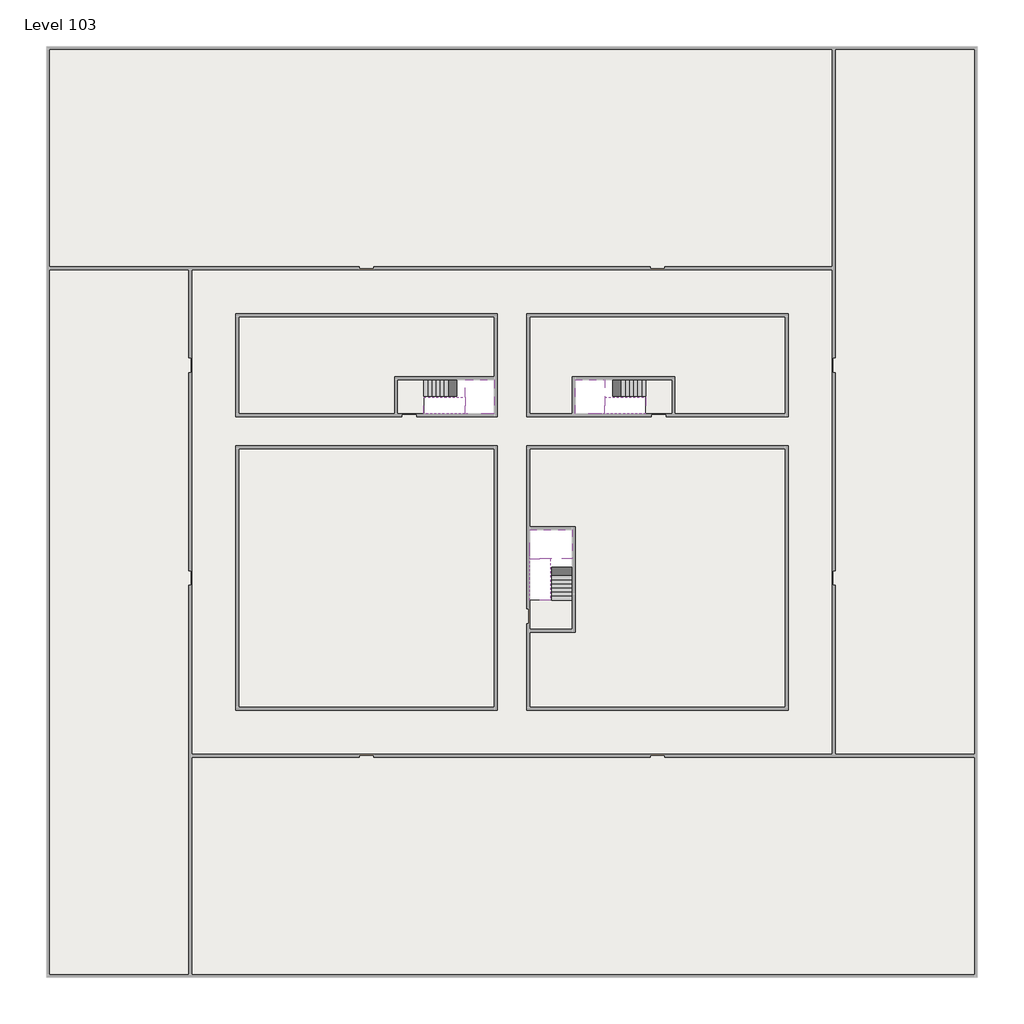
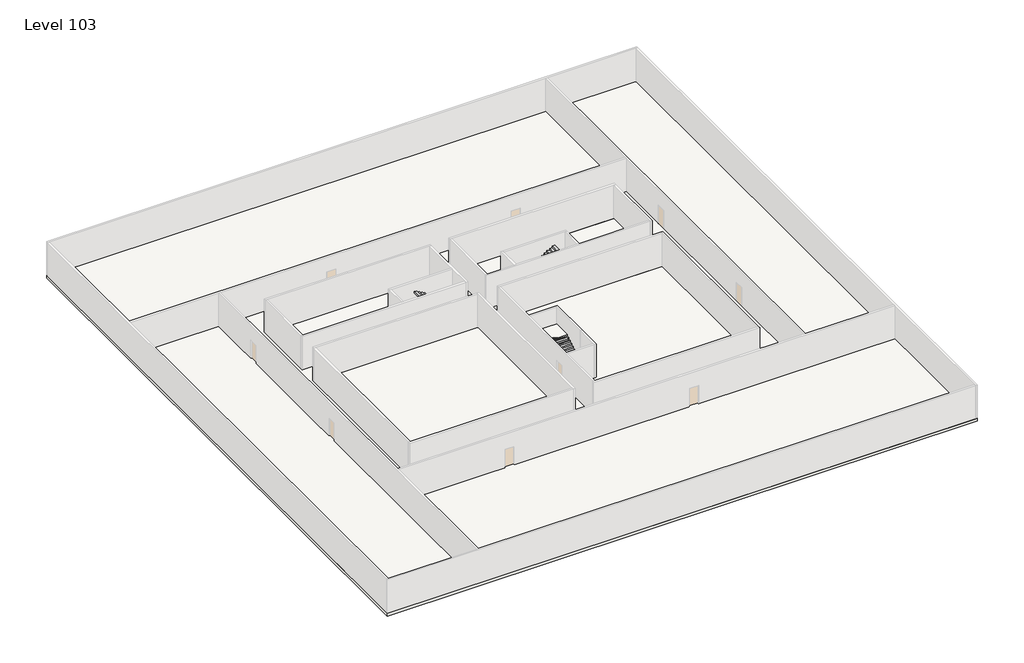
# One storey, part 2 of 2: 6 slabs, 6 stair flights.
"""IFC4 building model written with IfcOpenShell, lengths in millimetres."""

from ifc_helpers import new_model, si_unit, frame, origin, place, context, project, spatial, polyline, outline, extrude, faceted_brep, element, save

model = new_model("IFC4")

# Units and contexts
model_context = context("Model", 3, world=origin())
ifc_project = project(units=[si_unit("LENGTHUNIT", "METRE", prefix="MILLI")], contexts=[model_context])

# Site, building, storey
site = spatial("IfcSite", under=ifc_project)
building = spatial("IfcBuilding", under=site)
storey = spatial("IfcBuildingStorey", under=building, Name="Level 103", Elevation=387600.0)

# Slabs
placement = place(None, origin())
element("IfcSlab", 1, at=placement, inside=storey, context=model_context, shape_type="SweptSolid", body=[
    extrude(outline(polyline([(55890.1058784, -5518.09644), (55890.1058784, -68918.09644), (-7509.8941216, -68918.09644), (-7509.8941216, -5518.09644), (55890.1058784, -5518.09644)]), holes=[polyline([(22990.1058784, -23918.09644), (5590.1058784, -23918.09644), (5590.1058784, -30518.09644), (22990.1058784, -30518.09644), (22990.1058784, -23918.09644)]), polyline([(42990.1058784, -23918.09644), (25390.1058784, -23918.09644), (25390.1058784, -30518.09644), (42990.1058784, -30518.09644), (42990.1058784, -23918.09644)]), polyline([(25390.1058784, -50518.09644), (42790.1058784, -50518.09644), (42790.1058784, -32918.09644), (25390.1058784, -32918.09644), (25390.1058784, -50518.09644)]), polyline([(22990.1058784, -32918.09644), (5590.1058784, -32918.09644), (5590.1058784, -50518.09644), (22990.1058784, -50518.09644), (22990.1058784, -32918.09644)])]), frame((0.0, 0.0, 387300.0), z_axis=(0.0, 0.0, 1.0), x_axis=(1.0, 0.0, 0.0)), (0.0, 0.0, 1.0), 300.0),
])
element("IfcSlab", 2, at=placement, inside=storey, context=model_context, shape_type="SweptSolid", body=[
    extrude(outline(polyline([(22990.1058784, -23918.09644), (22990.1058784, -28018.09644), (16190.1058784, -28018.09644), (16190.1058784, -30518.09644), (5590.1058784, -30518.09644), (5590.1058784, -23918.09644), (22990.1058784, -23918.09644)])), frame((0.0, 0.0, 387300.0), z_axis=(0.0, 0.0, 1.0), x_axis=(1.0, 0.0, 0.0)), (0.0, 0.0, 1.0), 300.0),
    extrude(outline(polyline([(42790.1058784, -23918.09644), (42790.1058784, -30518.09644), (35290.1058784, -30518.09644), (35290.1058784, -28018.09644), (28490.1058784, -28018.09644), (28490.1058784, -30518.09644), (25390.1058784, -30518.09644), (25390.1058784, -23918.09644), (42790.1058784, -23918.09644)])), frame((0.0, 0.0, 387300.0), z_axis=(0.0, 0.0, 1.0), x_axis=(1.0, 0.0, 0.0)), (0.0, 0.0, 1.0), 300.0),
    extrude(outline(polyline([(22990.1058784, -32918.09644), (22990.1058784, -50518.09644), (5590.1058784, -50518.09644), (5590.1058784, -32918.09644), (22990.1058784, -32918.09644)])), frame((0.0, 0.0, 387300.0), z_axis=(0.0, 0.0, 1.0), x_axis=(1.0, 0.0, 0.0)), (0.0, 0.0, 1.0), 300.0),
    extrude(outline(polyline([(25390.1058784, -38218.09644), (25390.1058784, -32918.09644), (42790.1058784, -32918.09644), (42790.1058784, -50518.09644), (25390.1058784, -50518.09644), (25390.1058784, -45418.09644), (28490.1058784, -45418.09644), (28490.1058784, -38218.09644), (25390.1058784, -38218.09644)])), frame((0.0, 0.0, 387300.0), z_axis=(0.0, 0.0, 1.0), x_axis=(1.0, 0.0, 0.0)), (0.0, 0.0, 1.0), 300.0),
])
element("IfcSlab", 3, at=placement, inside=storey, context=model_context, shape_type="Brep", body=[
    faceted_brep([(26890.1058784, -40418.09644, 389500.0), (28290.1058784, -40418.09644, 389500.0), (28290.1058784, -40338.7100038, 389500.0), (28290.1058784, -38418.09644, 389500.0), (25390.1058784, -38418.09644, 389500.0), (25390.1058784, -40217.4828763, 389500.0), (25390.1058784, -40418.09644, 389500.0), (26790.1058784, -40418.09644, 389500.0), (26890.1058784, -40418.09644, 389200.0), (26890.1058784, -40418.09644, 389151.0278478), (28290.1058784, -40418.09644, 389151.0278478), (28290.1058784, -40418.09644, 389327.2727273), (28290.1058784, -40338.7100038, 389200.0), (28290.1058784, -38418.09644, 389200.0), (25390.1058784, -38418.09644, 389200.0), (25390.1058784, -40217.4828763, 389200.0), (25390.1058784, -40418.09644, 389323.7551205), (26790.1058784, -40418.09644, 389323.7551205), (26790.1058784, -40418.09644, 389200.0), (26790.1058784, -40217.4828763, 389200.0), (26890.1058784, -40338.7100038, 389200.0)], [[[0, 1, 2, 3, 4, 5, 6, 7]], [[1, 0, 8, 9, 10, 11]], [[1, 11, 10, 12, 13, 3, 2]], [[4, 3, 13, 14]], [[4, 14, 15, 16, 6, 5]], [[7, 6, 16, 17]], [[0, 7, 17, 18, 8]], [[18, 19, 15, 14, 13, 12, 20, 8]], [[19, 18, 17]], [[20, 12, 10, 9]], [[8, 20, 9]], [[15, 19, 17, 16]]]),
])
element("IfcSlab", 4, at=placement, inside=storey, context=model_context, shape_type="Brep", body=[
    faceted_brep([(20990.1058784, -28218.09644, 389500.0), (20990.1058784, -29318.09644, 389500.0), (20990.1058784, -29418.09644, 389500.0), (20990.1058784, -30518.09644, 389500.0), (21190.7194421, -30518.09644, 389500.0), (22990.1058784, -30518.09644, 389500.0), (22990.1058784, -28218.09644, 389500.0), (21069.4923146, -28218.09644, 389500.0), (20990.1058784, -28218.09644, 389327.2727273), (20990.1058784, -28218.09644, 389151.0278478), (20990.1058784, -29318.09644, 389151.0278478), (20990.1058784, -29318.09644, 389200.0), (20990.1058784, -29418.09644, 389200.0), (20990.1058784, -29418.09644, 389323.7551205), (20990.1058784, -30518.09644, 389323.7551205), (21190.7194421, -30518.09644, 389200.0), (22990.1058784, -30518.09644, 389200.0), (22990.1058784, -28218.09644, 389200.0), (21069.4923146, -28218.09644, 389200.0), (21190.7194421, -29418.09644, 389200.0), (21069.4923146, -29318.09644, 389200.0)], [[[0, 1, 2, 3, 4, 5, 6, 7]], [[1, 0, 8, 9, 10, 11]], [[2, 1, 11, 12, 13]], [[3, 2, 13, 14]], [[3, 14, 15, 16, 5, 4]], [[6, 5, 16, 17]], [[9, 8, 0, 7, 6, 17, 18]], [[19, 12, 11, 20, 18, 17, 16, 15]], [[12, 19, 13]], [[18, 20, 10, 9]], [[20, 11, 10]], [[19, 15, 14, 13]]]),
])
element("IfcSlab", 5, at=placement, inside=storey, context=model_context, shape_type="Brep", body=[
    faceted_brep([(30490.1058784, -29318.09644, 389500.0), (30490.1058784, -28218.09644, 389500.0), (30410.7194421, -28218.09644, 389500.0), (28490.1058784, -28218.09644, 389500.0), (28490.1058784, -30518.09644, 389500.0), (30289.4923146, -30518.09644, 389500.0), (30490.1058784, -30518.09644, 389500.0), (30490.1058784, -29418.09644, 389500.0), (30490.1058784, -29318.09644, 389200.0), (30490.1058784, -29318.09644, 389151.0278478), (30490.1058784, -28218.09644, 389151.0278478), (30490.1058784, -28218.09644, 389327.2727273), (30490.1058784, -29418.09644, 389323.7551205), (30490.1058784, -29418.09644, 389200.0), (30490.1058784, -30518.09644, 389323.7551205), (28490.1058784, -30518.09644, 389200.0), (30289.4923146, -30518.09644, 389200.0), (28490.1058784, -28218.09644, 389200.0), (30410.7194421, -28218.09644, 389200.0), (30289.4923146, -29418.09644, 389200.0), (30410.7194421, -29318.09644, 389200.0)], [[[0, 1, 2, 3, 4, 5, 6, 7]], [[1, 0, 8, 9, 10, 11]], [[0, 7, 12, 13, 8]], [[7, 6, 14, 12]], [[4, 15, 16, 14, 6, 5]], [[4, 3, 17, 15]], [[1, 11, 10, 18, 17, 3, 2]], [[13, 19, 16, 15, 17, 18, 20, 8]], [[20, 18, 10, 9]], [[8, 20, 9]], [[16, 19, 12, 14]], [[19, 13, 12]]]),
])
element("IfcSlab", 6, at=placement, inside=storey, context=model_context, shape_type="SweptSolid", body=[
    extrude(outline(polyline([(35090.1058784, -28218.09644), (35090.1058784, -30518.09644), (33290.1058784, -30518.09644), (33290.1058784, -28218.09644), (35090.1058784, -28218.09644)])), frame((0.0, 0.0, 387300.0), z_axis=(0.0, 0.0, 1.0), x_axis=(1.0, 0.0, 0.0)), (0.0, 0.0, 1.0), 300.0),
    extrude(outline(polyline([(18190.1058784, -28218.09644), (18190.1058784, -30518.09644), (16390.1058784, -30518.09644), (16390.1058784, -28218.09644), (18190.1058784, -28218.09644)])), frame((0.0, 0.0, 387300.0), z_axis=(0.0, 0.0, 1.0), x_axis=(1.0, 0.0, 0.0)), (0.0, 0.0, 1.0), 300.0),
    extrude(outline(polyline([(28290.1058784, -43218.09644), (28290.1058784, -45218.09644), (25390.1058784, -45218.09644), (25390.1058784, -43218.09644), (28290.1058784, -43218.09644)])), frame((0.0, 0.0, 387300.0), z_axis=(0.0, 0.0, 1.0), x_axis=(1.0, 0.0, 0.0)), (0.0, 0.0, 1.0), 300.0),
])

# Stair flights
element("IfcStairFlight", 7, at=placement, inside=storey, context=model_context, shape_type="Brep", body=[
    faceted_brep([(26890.1058784, -42938.09644, 387772.7272727), (26890.1058784, -43218.09644, 387772.7272727), (28290.1058784, -43218.09644, 387772.7272727), (28290.1058784, -42938.09644, 387772.7272727), (26890.1058784, -42938.09644, 387600.0), (26890.1058784, -43218.09644, 387600.0), (28290.1058784, -43218.09644, 387600.0), (28290.1058784, -42938.09644, 387600.0), (26890.1058784, -42658.09644, 387945.4545455), (26890.1058784, -42938.09644, 387945.4545455), (28290.1058784, -42938.09644, 387945.4545455), (28290.1058784, -42658.09644, 387945.4545455), (26890.1058784, -42658.09644, 387769.209666), (26890.1058784, -42932.3942143, 387600.0), (28290.1058784, -42932.3942143, 387600.0), (28290.1058784, -42658.09644, 387769.209666), (26890.1058784, -42378.09644, 388118.1818182), (26890.1058784, -42658.09644, 388118.1818182), (28290.1058784, -42658.09644, 388118.1818182), (28290.1058784, -42378.09644, 388118.1818182), (26890.1058784, -42378.09644, 387941.9369387), (28290.1058784, -42378.09644, 387941.9369387), (26890.1058784, -42098.09644, 388290.9090909), (26890.1058784, -42378.09644, 388290.9090909), (28290.1058784, -42378.09644, 388290.9090909), (28290.1058784, -42098.09644, 388290.9090909), (26890.1058784, -42098.09644, 388114.6642114), (28290.1058784, -42098.09644, 388114.6642114), (26890.1058784, -41818.09644, 388463.6363636), (26890.1058784, -42098.09644, 388463.6363636), (28290.1058784, -42098.09644, 388463.6363636), (28290.1058784, -41818.09644, 388463.6363636), (26890.1058784, -41818.09644, 388287.3914841), (28290.1058784, -41818.09644, 388287.3914841), (26890.1058784, -41538.09644, 388636.3636364), (26890.1058784, -41818.09644, 388636.3636364), (28290.1058784, -41818.09644, 388636.3636364), (28290.1058784, -41538.09644, 388636.3636364), (26890.1058784, -41538.09644, 388460.1187569), (28290.1058784, -41538.09644, 388460.1187569), (26890.1058784, -41258.09644, 388809.0909091), (26890.1058784, -41538.09644, 388809.0909091), (28290.1058784, -41538.09644, 388809.0909091), (28290.1058784, -41258.09644, 388809.0909091), (26890.1058784, -41258.09644, 388632.8460296), (28290.1058784, -41258.09644, 388632.8460296), (26890.1058784, -40978.09644, 388981.8181818), (26890.1058784, -41258.09644, 388981.8181818), (28290.1058784, -41258.09644, 388981.8181818), (28290.1058784, -40978.09644, 388981.8181818), (26890.1058784, -40978.09644, 388805.5733023), (28290.1058784, -40978.09644, 388805.5733023), (26890.1058784, -40698.09644, 389154.5454545), (26890.1058784, -40978.09644, 389154.5454545), (28290.1058784, -40978.09644, 389154.5454545), (28290.1058784, -40698.09644, 389154.5454545), (26890.1058784, -40698.09644, 388978.3005751), (28290.1058784, -40698.09644, 388978.3005751), (26890.1058784, -40418.09644, 389327.2727273), (26890.1058784, -40698.09644, 389327.2727273), (28290.1058784, -40698.09644, 389327.2727273), (28290.1058784, -40418.09644, 389327.2727273), (26890.1058784, -40418.09644, 389200.0), (26890.1058784, -40418.09644, 389151.0278478), (28290.1058784, -40418.09644, 389151.0278478)], [[[0, 1, 2, 3]], [[1, 0, 4, 5]], [[2, 1, 5, 6]], [[3, 2, 6, 7]], [[8, 9, 10, 11]], [[4, 0, 9, 8, 12, 13]], [[0, 3, 10, 9]], [[3, 7, 14, 15, 11, 10]], [[16, 17, 18, 19]], [[17, 16, 20, 12, 8]], [[8, 11, 18, 17]], [[19, 18, 11, 15, 21]], [[22, 23, 24, 25]], [[23, 22, 26, 20, 16]], [[16, 19, 24, 23]], [[25, 24, 19, 21, 27]], [[28, 29, 30, 31]], [[29, 28, 32, 26, 22]], [[22, 25, 30, 29]], [[31, 30, 25, 27, 33]], [[34, 35, 36, 37]], [[35, 34, 38, 32, 28]], [[28, 31, 36, 35]], [[37, 36, 31, 33, 39]], [[40, 41, 42, 43]], [[41, 40, 44, 38, 34]], [[34, 37, 42, 41]], [[43, 42, 37, 39, 45]], [[46, 47, 48, 49]], [[47, 46, 50, 44, 40]], [[40, 43, 48, 47]], [[49, 48, 43, 45, 51]], [[52, 53, 54, 55]], [[53, 52, 56, 50, 46]], [[46, 49, 54, 53]], [[55, 54, 49, 51, 57]], [[58, 59, 60, 61]], [[59, 58, 62, 63, 56, 52]], [[52, 55, 60, 59]], [[61, 60, 55, 57, 64]], [[58, 61, 64, 63, 62]], [[5, 4, 13, 14, 7, 6]], [[14, 13, 12, 20, 26, 32, 38, 44, 50, 56, 63, 64, 57, 51, 45, 39, 33, 27, 21, 15]]]),
])
element("IfcStairFlight", 8, at=placement, inside=storey, context=model_context, shape_type="Brep", body=[
    faceted_brep([(26790.1058784, -40698.09644, 389672.7272727), (26790.1058784, -40418.09644, 389672.7272727), (25390.1058784, -40418.09644, 389672.7272727), (25390.1058784, -40698.09644, 389672.7272727), (26790.1058784, -40698.09644, 389496.4823932), (26790.1058784, -40418.09644, 389323.7551205), (25390.1058784, -40418.09644, 389323.7551205), (25390.1058784, -40418.09644, 389500.0), (25390.1058784, -40698.09644, 389496.4823932), (26790.1058784, -40978.09644, 389845.4545455), (26790.1058784, -40698.09644, 389845.4545455), (25390.1058784, -40698.09644, 389845.4545455), (25390.1058784, -40978.09644, 389845.4545455), (26790.1058784, -40978.09644, 389669.209666), (25390.1058784, -40978.09644, 389669.209666), (26790.1058784, -41258.09644, 390018.1818182), (26790.1058784, -40978.09644, 390018.1818182), (25390.1058784, -40978.09644, 390018.1818182), (25390.1058784, -41258.09644, 390018.1818182), (26790.1058784, -41258.09644, 389841.9369387), (25390.1058784, -41258.09644, 389841.9369387), (26790.1058784, -41538.09644, 390190.9090909), (26790.1058784, -41258.09644, 390190.9090909), (25390.1058784, -41258.09644, 390190.9090909), (25390.1058784, -41538.09644, 390190.9090909), (26790.1058784, -41538.09644, 390014.6642114), (25390.1058784, -41538.09644, 390014.6642114), (26790.1058784, -41818.09644, 390363.6363636), (26790.1058784, -41538.09644, 390363.6363636), (25390.1058784, -41538.09644, 390363.6363636), (25390.1058784, -41818.09644, 390363.6363636), (26790.1058784, -41818.09644, 390187.3914841), (25390.1058784, -41818.09644, 390187.3914841), (26790.1058784, -42098.09644, 390536.3636364), (26790.1058784, -41818.09644, 390536.3636364), (25390.1058784, -41818.09644, 390536.3636364), (25390.1058784, -42098.09644, 390536.3636364), (26790.1058784, -42098.09644, 390360.1187569), (25390.1058784, -42098.09644, 390360.1187569), (26790.1058784, -42378.09644, 390709.0909091), (26790.1058784, -42098.09644, 390709.0909091), (25390.1058784, -42098.09644, 390709.0909091), (25390.1058784, -42378.09644, 390709.0909091), (26790.1058784, -42378.09644, 390532.8460296), (25390.1058784, -42378.09644, 390532.8460296), (26790.1058784, -42658.09644, 390881.8181818), (26790.1058784, -42378.09644, 390881.8181818), (25390.1058784, -42378.09644, 390881.8181818), (25390.1058784, -42658.09644, 390881.8181818), (26790.1058784, -42658.09644, 390705.5733023), (25390.1058784, -42658.09644, 390705.5733023), (26790.1058784, -42938.09644, 391054.5454545), (26790.1058784, -42658.09644, 391054.5454545), (25390.1058784, -42658.09644, 391054.5454545), (25390.1058784, -42938.09644, 391054.5454545), (26790.1058784, -42938.09644, 390878.3005751), (25390.1058784, -42938.09644, 390878.3005751), (26790.1058784, -43218.09644, 391227.2727273), (26790.1058784, -42938.09644, 391227.2727273), (25390.1058784, -42938.09644, 391227.2727273), (25390.1058784, -43218.09644, 391227.2727273), (26790.1058784, -43218.09644, 391051.0278478), (25390.1058784, -43218.09644, 391051.0278478)], [[[0, 1, 2, 3]], [[1, 0, 4, 5]], [[2, 1, 5, 6, 7]], [[3, 2, 7, 6, 8]], [[9, 10, 11, 12]], [[10, 9, 13, 4, 0]], [[11, 10, 0, 3]], [[12, 11, 3, 8, 14]], [[15, 16, 17, 18]], [[16, 15, 19, 13, 9]], [[17, 16, 9, 12]], [[18, 17, 12, 14, 20]], [[21, 22, 23, 24]], [[22, 21, 25, 19, 15]], [[23, 22, 15, 18]], [[24, 23, 18, 20, 26]], [[27, 28, 29, 30]], [[28, 27, 31, 25, 21]], [[29, 28, 21, 24]], [[30, 29, 24, 26, 32]], [[33, 34, 35, 36]], [[34, 33, 37, 31, 27]], [[35, 34, 27, 30]], [[36, 35, 30, 32, 38]], [[39, 40, 41, 42]], [[40, 39, 43, 37, 33]], [[41, 40, 33, 36]], [[42, 41, 36, 38, 44]], [[45, 46, 47, 48]], [[46, 45, 49, 43, 39]], [[47, 46, 39, 42]], [[48, 47, 42, 44, 50]], [[51, 52, 53, 54]], [[52, 51, 55, 49, 45]], [[53, 52, 45, 48]], [[54, 53, 48, 50, 56]], [[57, 58, 59, 60]], [[58, 57, 61, 55, 51]], [[59, 58, 51, 54]], [[60, 59, 54, 56, 62]], [[57, 60, 62, 61]], [[5, 4, 13, 19, 25, 31, 37, 43, 49, 55, 61, 62, 56, 50, 44, 38, 32, 26, 20, 14, 8, 6]]]),
])
element("IfcStairFlight", 9, at=placement, inside=storey, context=model_context, shape_type="Brep", body=[
    faceted_brep([(18470.1058784, -28218.09644, 387772.7272727), (18190.1058784, -28218.09644, 387772.7272727), (18190.1058784, -29318.09644, 387772.7272727), (18470.1058784, -29318.09644, 387772.7272727), (18470.1058784, -28218.09644, 387600.0), (18190.1058784, -28218.09644, 387600.0), (18190.1058784, -29318.09644, 387600.0), (18470.1058784, -29318.09644, 387600.0), (18750.1058784, -28218.09644, 387945.4545455), (18470.1058784, -28218.09644, 387945.4545455), (18470.1058784, -29318.09644, 387945.4545455), (18750.1058784, -29318.09644, 387945.4545455), (18750.1058784, -28218.09644, 387769.209666), (18475.8081041, -28218.09644, 387600.0), (18475.8081041, -29318.09644, 387600.0), (18750.1058784, -29318.09644, 387769.209666), (19030.1058784, -28218.09644, 388118.1818182), (18750.1058784, -28218.09644, 388118.1818182), (18750.1058784, -29318.09644, 388118.1818182), (19030.1058784, -29318.09644, 388118.1818182), (19030.1058784, -28218.09644, 387941.9369387), (19030.1058784, -29318.09644, 387941.9369387), (19310.1058784, -28218.09644, 388290.9090909), (19030.1058784, -28218.09644, 388290.9090909), (19030.1058784, -29318.09644, 388290.9090909), (19310.1058784, -29318.09644, 388290.9090909), (19310.1058784, -28218.09644, 388114.6642114), (19310.1058784, -29318.09644, 388114.6642114), (19590.1058784, -28218.09644, 388463.6363636), (19310.1058784, -28218.09644, 388463.6363636), (19310.1058784, -29318.09644, 388463.6363636), (19590.1058784, -29318.09644, 388463.6363636), (19590.1058784, -28218.09644, 388287.3914841), (19590.1058784, -29318.09644, 388287.3914841), (19870.1058784, -28218.09644, 388636.3636364), (19590.1058784, -28218.09644, 388636.3636364), (19590.1058784, -29318.09644, 388636.3636364), (19870.1058784, -29318.09644, 388636.3636364), (19870.1058784, -28218.09644, 388460.1187569), (19870.1058784, -29318.09644, 388460.1187569), (20150.1058784, -28218.09644, 388809.0909091), (19870.1058784, -28218.09644, 388809.0909091), (19870.1058784, -29318.09644, 388809.0909091), (20150.1058784, -29318.09644, 388809.0909091), (20150.1058784, -28218.09644, 388632.8460296), (20150.1058784, -29318.09644, 388632.8460296), (20430.1058784, -28218.09644, 388981.8181818), (20150.1058784, -28218.09644, 388981.8181818), (20150.1058784, -29318.09644, 388981.8181818), (20430.1058784, -29318.09644, 388981.8181818), (20430.1058784, -28218.09644, 388805.5733023), (20430.1058784, -29318.09644, 388805.5733023), (20710.1058784, -28218.09644, 389154.5454545), (20430.1058784, -28218.09644, 389154.5454545), (20430.1058784, -29318.09644, 389154.5454545), (20710.1058784, -29318.09644, 389154.5454545), (20710.1058784, -28218.09644, 388978.3005751), (20710.1058784, -29318.09644, 388978.3005751), (20990.1058784, -28218.09644, 389327.2727273), (20710.1058784, -28218.09644, 389327.2727273), (20710.1058784, -29318.09644, 389327.2727273), (20990.1058784, -29318.09644, 389327.2727273), (20990.1058784, -28218.09644, 389151.0278478), (20990.1058784, -29318.09644, 389151.0278478), (20990.1058784, -29318.09644, 389200.0)], [[[0, 1, 2, 3]], [[1, 0, 4, 5]], [[2, 1, 5, 6]], [[3, 2, 6, 7]], [[8, 9, 10, 11]], [[4, 0, 9, 8, 12, 13]], [[0, 3, 10, 9]], [[3, 7, 14, 15, 11, 10]], [[16, 17, 18, 19]], [[17, 16, 20, 12, 8]], [[8, 11, 18, 17]], [[19, 18, 11, 15, 21]], [[22, 23, 24, 25]], [[23, 22, 26, 20, 16]], [[16, 19, 24, 23]], [[25, 24, 19, 21, 27]], [[28, 29, 30, 31]], [[29, 28, 32, 26, 22]], [[22, 25, 30, 29]], [[31, 30, 25, 27, 33]], [[34, 35, 36, 37]], [[35, 34, 38, 32, 28]], [[28, 31, 36, 35]], [[37, 36, 31, 33, 39]], [[40, 41, 42, 43]], [[41, 40, 44, 38, 34]], [[34, 37, 42, 41]], [[43, 42, 37, 39, 45]], [[46, 47, 48, 49]], [[47, 46, 50, 44, 40]], [[40, 43, 48, 47]], [[49, 48, 43, 45, 51]], [[52, 53, 54, 55]], [[53, 52, 56, 50, 46]], [[46, 49, 54, 53]], [[55, 54, 49, 51, 57]], [[58, 59, 60, 61]], [[59, 58, 62, 56, 52]], [[52, 55, 60, 59]], [[61, 60, 55, 57, 63, 64]], [[58, 61, 64, 63, 62]], [[5, 4, 13, 14, 7, 6]], [[14, 13, 12, 20, 26, 32, 38, 44, 50, 56, 62, 63, 57, 51, 45, 39, 33, 27, 21, 15]]]),
])
element("IfcStairFlight", 10, at=placement, inside=storey, context=model_context, shape_type="Brep", body=[
    faceted_brep([(20710.1058784, -30518.09644, 389672.7272727), (20990.1058784, -30518.09644, 389672.7272727), (20990.1058784, -29418.09644, 389672.7272727), (20710.1058784, -29418.09644, 389672.7272727), (20710.1058784, -30518.09644, 389496.4823932), (20990.1058784, -30518.09644, 389323.7551205), (20990.1058784, -30518.09644, 389500.0), (20990.1058784, -29418.09644, 389323.7551205), (20710.1058784, -29418.09644, 389496.4823932), (20430.1058784, -30518.09644, 389845.4545455), (20710.1058784, -30518.09644, 389845.4545455), (20710.1058784, -29418.09644, 389845.4545455), (20430.1058784, -29418.09644, 389845.4545455), (20430.1058784, -30518.09644, 389669.209666), (20430.1058784, -29418.09644, 389669.209666), (20150.1058784, -30518.09644, 390018.1818182), (20430.1058784, -30518.09644, 390018.1818182), (20430.1058784, -29418.09644, 390018.1818182), (20150.1058784, -29418.09644, 390018.1818182), (20150.1058784, -30518.09644, 389841.9369387), (20150.1058784, -29418.09644, 389841.9369387), (19870.1058784, -30518.09644, 390190.9090909), (20150.1058784, -30518.09644, 390190.9090909), (20150.1058784, -29418.09644, 390190.9090909), (19870.1058784, -29418.09644, 390190.9090909), (19870.1058784, -30518.09644, 390014.6642114), (19870.1058784, -29418.09644, 390014.6642114), (19590.1058784, -30518.09644, 390363.6363636), (19870.1058784, -30518.09644, 390363.6363636), (19870.1058784, -29418.09644, 390363.6363636), (19590.1058784, -29418.09644, 390363.6363636), (19590.1058784, -30518.09644, 390187.3914841), (19590.1058784, -29418.09644, 390187.3914841), (19310.1058784, -30518.09644, 390536.3636364), (19590.1058784, -30518.09644, 390536.3636364), (19590.1058784, -29418.09644, 390536.3636364), (19310.1058784, -29418.09644, 390536.3636364), (19310.1058784, -30518.09644, 390360.1187569), (19310.1058784, -29418.09644, 390360.1187569), (19030.1058784, -30518.09644, 390709.0909091), (19310.1058784, -30518.09644, 390709.0909091), (19310.1058784, -29418.09644, 390709.0909091), (19030.1058784, -29418.09644, 390709.0909091), (19030.1058784, -30518.09644, 390532.8460296), (19030.1058784, -29418.09644, 390532.8460296), (18750.1058784, -30518.09644, 390881.8181818), (19030.1058784, -30518.09644, 390881.8181818), (19030.1058784, -29418.09644, 390881.8181818), (18750.1058784, -29418.09644, 390881.8181818), (18750.1058784, -30518.09644, 390705.5733023), (18750.1058784, -29418.09644, 390705.5733023), (18470.1058784, -30518.09644, 391054.5454545), (18750.1058784, -30518.09644, 391054.5454545), (18750.1058784, -29418.09644, 391054.5454545), (18470.1058784, -29418.09644, 391054.5454545), (18470.1058784, -30518.09644, 390878.3005751), (18470.1058784, -29418.09644, 390878.3005751), (18190.1058784, -30518.09644, 391227.2727273), (18470.1058784, -30518.09644, 391227.2727273), (18470.1058784, -29418.09644, 391227.2727273), (18190.1058784, -29418.09644, 391227.2727273), (18190.1058784, -30518.09644, 391051.0278478), (18190.1058784, -29418.09644, 391051.0278478)], [[[0, 1, 2, 3]], [[1, 0, 4, 5, 6]], [[2, 1, 6, 5, 7]], [[3, 2, 7, 8]], [[9, 10, 11, 12]], [[10, 9, 13, 4, 0]], [[11, 10, 0, 3]], [[12, 11, 3, 8, 14]], [[15, 16, 17, 18]], [[16, 15, 19, 13, 9]], [[17, 16, 9, 12]], [[18, 17, 12, 14, 20]], [[21, 22, 23, 24]], [[22, 21, 25, 19, 15]], [[23, 22, 15, 18]], [[24, 23, 18, 20, 26]], [[27, 28, 29, 30]], [[28, 27, 31, 25, 21]], [[29, 28, 21, 24]], [[30, 29, 24, 26, 32]], [[33, 34, 35, 36]], [[34, 33, 37, 31, 27]], [[35, 34, 27, 30]], [[36, 35, 30, 32, 38]], [[39, 40, 41, 42]], [[40, 39, 43, 37, 33]], [[41, 40, 33, 36]], [[42, 41, 36, 38, 44]], [[45, 46, 47, 48]], [[46, 45, 49, 43, 39]], [[47, 46, 39, 42]], [[48, 47, 42, 44, 50]], [[51, 52, 53, 54]], [[52, 51, 55, 49, 45]], [[53, 52, 45, 48]], [[54, 53, 48, 50, 56]], [[57, 58, 59, 60]], [[58, 57, 61, 55, 51]], [[59, 58, 51, 54]], [[60, 59, 54, 56, 62]], [[57, 60, 62, 61]], [[5, 4, 13, 19, 25, 31, 37, 43, 49, 55, 61, 62, 56, 50, 44, 38, 32, 26, 20, 14, 8, 7]]]),
])
element("IfcStairFlight", 11, at=placement, inside=storey, context=model_context, shape_type="Brep", body=[
    faceted_brep([(33010.1058784, -29318.09644, 387772.7272727), (33290.1058784, -29318.09644, 387772.7272727), (33290.1058784, -28218.09644, 387772.7272727), (33010.1058784, -28218.09644, 387772.7272727), (33290.1058784, -28218.09644, 387600.0), (33010.1058784, -28218.09644, 387600.0), (33290.1058784, -29318.09644, 387600.0), (33010.1058784, -29318.09644, 387600.0), (32730.1058784, -29318.09644, 387945.4545455), (33010.1058784, -29318.09644, 387945.4545455), (33010.1058784, -28218.09644, 387945.4545455), (32730.1058784, -28218.09644, 387945.4545455), (33004.4036527, -28218.09644, 387600.0), (32730.1058784, -28218.09644, 387769.209666), (32730.1058784, -29318.09644, 387769.209666), (33004.4036527, -29318.09644, 387600.0), (32450.1058784, -29318.09644, 388118.1818182), (32730.1058784, -29318.09644, 388118.1818182), (32730.1058784, -28218.09644, 388118.1818182), (32450.1058784, -28218.09644, 388118.1818182), (32450.1058784, -28218.09644, 387941.9369387), (32450.1058784, -29318.09644, 387941.9369387), (32170.1058784, -29318.09644, 388290.9090909), (32450.1058784, -29318.09644, 388290.9090909), (32450.1058784, -28218.09644, 388290.9090909), (32170.1058784, -28218.09644, 388290.9090909), (32170.1058784, -28218.09644, 388114.6642114), (32170.1058784, -29318.09644, 388114.6642114), (31890.1058784, -29318.09644, 388463.6363636), (32170.1058784, -29318.09644, 388463.6363636), (32170.1058784, -28218.09644, 388463.6363636), (31890.1058784, -28218.09644, 388463.6363636), (31890.1058784, -28218.09644, 388287.3914841), (31890.1058784, -29318.09644, 388287.3914841), (31610.1058784, -29318.09644, 388636.3636364), (31890.1058784, -29318.09644, 388636.3636364), (31890.1058784, -28218.09644, 388636.3636364), (31610.1058784, -28218.09644, 388636.3636364), (31610.1058784, -28218.09644, 388460.1187569), (31610.1058784, -29318.09644, 388460.1187569), (31330.1058784, -29318.09644, 388809.0909091), (31610.1058784, -29318.09644, 388809.0909091), (31610.1058784, -28218.09644, 388809.0909091), (31330.1058784, -28218.09644, 388809.0909091), (31330.1058784, -28218.09644, 388632.8460296), (31330.1058784, -29318.09644, 388632.8460296), (31050.1058784, -29318.09644, 388981.8181818), (31330.1058784, -29318.09644, 388981.8181818), (31330.1058784, -28218.09644, 388981.8181818), (31050.1058784, -28218.09644, 388981.8181818), (31050.1058784, -28218.09644, 388805.5733023), (31050.1058784, -29318.09644, 388805.5733023), (30770.1058784, -29318.09644, 389154.5454545), (31050.1058784, -29318.09644, 389154.5454545), (31050.1058784, -28218.09644, 389154.5454545), (30770.1058784, -28218.09644, 389154.5454545), (30770.1058784, -28218.09644, 388978.3005751), (30770.1058784, -29318.09644, 388978.3005751), (30490.1058784, -29318.09644, 389327.2727273), (30770.1058784, -29318.09644, 389327.2727273), (30770.1058784, -28218.09644, 389327.2727273), (30490.1058784, -28218.09644, 389327.2727273), (30490.1058784, -28218.09644, 389151.0278478), (30490.1058784, -29318.09644, 389200.0), (30490.1058784, -29318.09644, 389151.0278478)], [[[0, 1, 2, 3]], [[3, 2, 4, 5]], [[2, 1, 6, 4]], [[1, 0, 7, 6]], [[8, 9, 10, 11]], [[3, 5, 12, 13, 11, 10]], [[0, 3, 10, 9]], [[7, 0, 9, 8, 14, 15]], [[16, 17, 18, 19]], [[19, 18, 11, 13, 20]], [[8, 11, 18, 17]], [[17, 16, 21, 14, 8]], [[22, 23, 24, 25]], [[25, 24, 19, 20, 26]], [[16, 19, 24, 23]], [[23, 22, 27, 21, 16]], [[28, 29, 30, 31]], [[31, 30, 25, 26, 32]], [[22, 25, 30, 29]], [[29, 28, 33, 27, 22]], [[34, 35, 36, 37]], [[37, 36, 31, 32, 38]], [[28, 31, 36, 35]], [[35, 34, 39, 33, 28]], [[40, 41, 42, 43]], [[43, 42, 37, 38, 44]], [[34, 37, 42, 41]], [[41, 40, 45, 39, 34]], [[46, 47, 48, 49]], [[49, 48, 43, 44, 50]], [[40, 43, 48, 47]], [[47, 46, 51, 45, 40]], [[52, 53, 54, 55]], [[55, 54, 49, 50, 56]], [[46, 49, 54, 53]], [[53, 52, 57, 51, 46]], [[58, 59, 60, 61]], [[61, 60, 55, 56, 62]], [[52, 55, 60, 59]], [[59, 58, 63, 64, 57, 52]], [[58, 61, 62, 64, 63]], [[6, 7, 15, 12, 5, 4]], [[12, 15, 14, 21, 27, 33, 39, 45, 51, 57, 64, 62, 56, 50, 44, 38, 32, 26, 20, 13]]]),
])
element("IfcStairFlight", 12, at=placement, inside=storey, context=model_context, shape_type="Brep", body=[
    faceted_brep([(30770.1058784, -29418.09644, 389672.7272727), (30490.1058784, -29418.09644, 389672.7272727), (30490.1058784, -30518.09644, 389672.7272727), (30770.1058784, -30518.09644, 389672.7272727), (30490.1058784, -30518.09644, 389500.0), (30490.1058784, -30518.09644, 389323.7551205), (30770.1058784, -30518.09644, 389496.4823932), (30490.1058784, -29418.09644, 389323.7551205), (30770.1058784, -29418.09644, 389496.4823932), (31050.1058784, -29418.09644, 389845.4545455), (30770.1058784, -29418.09644, 389845.4545455), (30770.1058784, -30518.09644, 389845.4545455), (31050.1058784, -30518.09644, 389845.4545455), (31050.1058784, -30518.09644, 389669.209666), (31050.1058784, -29418.09644, 389669.209666), (31330.1058784, -29418.09644, 390018.1818182), (31050.1058784, -29418.09644, 390018.1818182), (31050.1058784, -30518.09644, 390018.1818182), (31330.1058784, -30518.09644, 390018.1818182), (31330.1058784, -30518.09644, 389841.9369387), (31330.1058784, -29418.09644, 389841.9369387), (31610.1058784, -29418.09644, 390190.9090909), (31330.1058784, -29418.09644, 390190.9090909), (31330.1058784, -30518.09644, 390190.9090909), (31610.1058784, -30518.09644, 390190.9090909), (31610.1058784, -30518.09644, 390014.6642114), (31610.1058784, -29418.09644, 390014.6642114), (31890.1058784, -29418.09644, 390363.6363636), (31610.1058784, -29418.09644, 390363.6363636), (31610.1058784, -30518.09644, 390363.6363636), (31890.1058784, -30518.09644, 390363.6363636), (31890.1058784, -30518.09644, 390187.3914841), (31890.1058784, -29418.09644, 390187.3914841), (32170.1058784, -29418.09644, 390536.3636364), (31890.1058784, -29418.09644, 390536.3636364), (31890.1058784, -30518.09644, 390536.3636364), (32170.1058784, -30518.09644, 390536.3636364), (32170.1058784, -30518.09644, 390360.1187569), (32170.1058784, -29418.09644, 390360.1187569), (32450.1058784, -29418.09644, 390709.0909091), (32170.1058784, -29418.09644, 390709.0909091), (32170.1058784, -30518.09644, 390709.0909091), (32450.1058784, -30518.09644, 390709.0909091), (32450.1058784, -30518.09644, 390532.8460296), (32450.1058784, -29418.09644, 390532.8460296), (32730.1058784, -29418.09644, 390881.8181818), (32450.1058784, -29418.09644, 390881.8181818), (32450.1058784, -30518.09644, 390881.8181818), (32730.1058784, -30518.09644, 390881.8181818), (32730.1058784, -30518.09644, 390705.5733023), (32730.1058784, -29418.09644, 390705.5733023), (33010.1058784, -29418.09644, 391054.5454545), (32730.1058784, -29418.09644, 391054.5454545), (32730.1058784, -30518.09644, 391054.5454545), (33010.1058784, -30518.09644, 391054.5454545), (33010.1058784, -30518.09644, 390878.3005751), (33010.1058784, -29418.09644, 390878.3005751), (33290.1058784, -29418.09644, 391227.2727273), (33010.1058784, -29418.09644, 391227.2727273), (33010.1058784, -30518.09644, 391227.2727273), (33290.1058784, -30518.09644, 391227.2727273), (33290.1058784, -30518.09644, 391051.0278478), (33290.1058784, -29418.09644, 391051.0278478)], [[[0, 1, 2, 3]], [[3, 2, 4, 5, 6]], [[2, 1, 7, 5, 4]], [[1, 0, 8, 7]], [[9, 10, 11, 12]], [[12, 11, 3, 6, 13]], [[11, 10, 0, 3]], [[10, 9, 14, 8, 0]], [[15, 16, 17, 18]], [[18, 17, 12, 13, 19]], [[17, 16, 9, 12]], [[16, 15, 20, 14, 9]], [[21, 22, 23, 24]], [[24, 23, 18, 19, 25]], [[23, 22, 15, 18]], [[22, 21, 26, 20, 15]], [[27, 28, 29, 30]], [[30, 29, 24, 25, 31]], [[29, 28, 21, 24]], [[28, 27, 32, 26, 21]], [[33, 34, 35, 36]], [[36, 35, 30, 31, 37]], [[35, 34, 27, 30]], [[34, 33, 38, 32, 27]], [[39, 40, 41, 42]], [[42, 41, 36, 37, 43]], [[41, 40, 33, 36]], [[40, 39, 44, 38, 33]], [[45, 46, 47, 48]], [[48, 47, 42, 43, 49]], [[47, 46, 39, 42]], [[46, 45, 50, 44, 39]], [[51, 52, 53, 54]], [[54, 53, 48, 49, 55]], [[53, 52, 45, 48]], [[52, 51, 56, 50, 45]], [[57, 58, 59, 60]], [[60, 59, 54, 55, 61]], [[59, 58, 51, 54]], [[58, 57, 62, 56, 51]], [[57, 60, 61, 62]], [[7, 8, 14, 20, 26, 32, 38, 44, 50, 56, 62, 61, 55, 49, 43, 37, 31, 25, 19, 13, 6, 5]]]),
])

save(model, "model.ifc")
